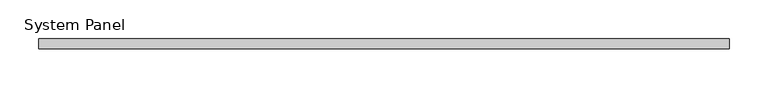
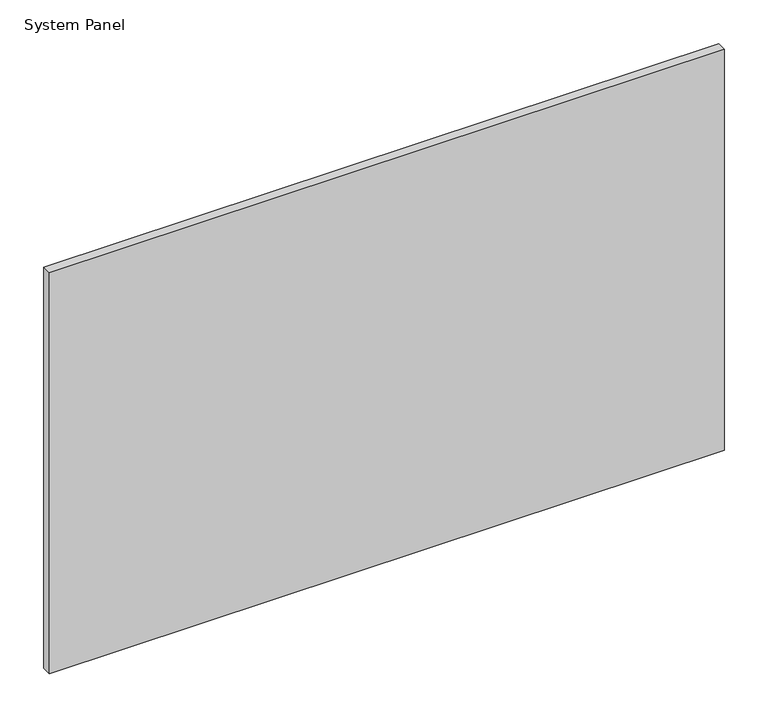
"""IFC4 building model written with IfcOpenShell, lengths in millimetres: plate geometry, System Panel."""

from ifc_helpers import new_model, si_unit, origin, origin_with_axes, place, context, project, spatial, polyline, outline, extrude, source, transform, mapped, element, save


def system_panel_049ed178(model_context):
    return source(origin(), model_context, "Body", "SweptSolid", [
        extrude(outline(polyline([(444.5000002, -12.7), (-444.5000002, -12.7), (-444.5000002, 0.0), (444.5000002, 0.0), (444.5000002, -12.7)])), origin_with_axes(), (0.0, 0.0, 1.0), 558.6260192),
    ])


if __name__ == "__main__":
    model = new_model("IFC4")
    model_context = context("Model", 3, world=origin())
    ifc_project = project(units=[si_unit("LENGTHUNIT", "METRE", prefix="MILLI")], contexts=[model_context])
    site = spatial("IfcSite", under=ifc_project)
    building = spatial("IfcBuilding", under=site)
    placement = place(None, origin())
    system_panel_shape = system_panel_049ed178(model_context)
    element("IfcPlate", 1, ObjectType="System Panel", at=placement, inside=building, context=model_context, shape_type="MappedRepresentation", body=[
        mapped(system_panel_shape, transform((0.0, 0.0, 0.0), x_axis=(1.0, 0.0, 0.0), y_axis=(0.0, 1.0, 0.0), z_axis=(0.0, 0.0, 1.0))),
    ])
    save(model, "model.ifc")
